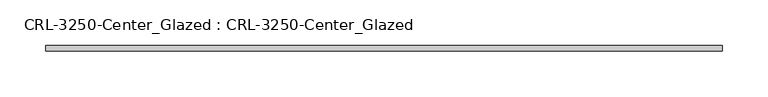
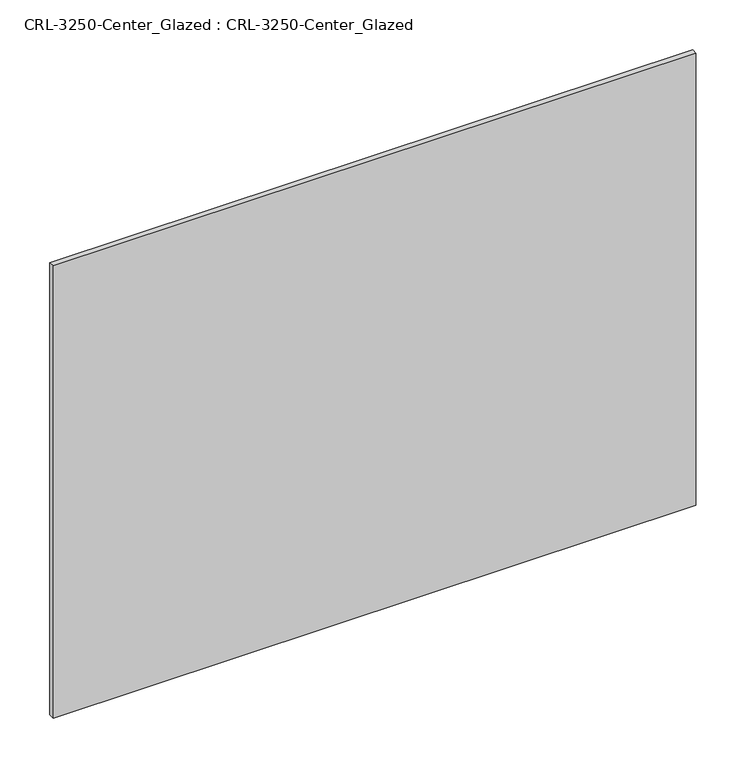
"""IFC4 building model written with IfcOpenShell, lengths in millimetres: plate geometry, CRL-3250-Center_Glazed : CRL-3250-Center_Glazed."""

from ifc_helpers import new_model, si_unit, origin, origin_with_axes, place, context, project, spatial, polyline, outline, extrude, source, transform, mapped, element, save


def crl_3250_center_glazed_crl_3250_center_glazed_8ae5b396(model_context):
    return source(origin(), model_context, "Body", "SweptSolid", [
        extrude(outline(polyline([(371.3833358, -3.1749999), (-371.3833358, -3.1749999), (-371.3833358, 3.1749999), (371.3833358, 3.1749999), (371.3833358, -3.1749999)])), origin_with_axes(), (0.0, 0.0, 1.0), 552.4500045),
    ])


if __name__ == "__main__":
    model = new_model("IFC4")
    model_context = context("Model", 3, world=origin())
    ifc_project = project(units=[si_unit("LENGTHUNIT", "METRE", prefix="MILLI")], contexts=[model_context])
    site = spatial("IfcSite", under=ifc_project)
    building = spatial("IfcBuilding", under=site)
    placement = place(None, origin())
    crl_3250_center_glazed_crl_3250_center_glazed_shape = crl_3250_center_glazed_crl_3250_center_glazed_8ae5b396(model_context)
    element("IfcPlate", 1, ObjectType="CRL-3250-Center_Glazed : CRL-3250-Center_Glazed", at=placement, inside=building, context=model_context, shape_type="MappedRepresentation", body=[
        mapped(crl_3250_center_glazed_crl_3250_center_glazed_shape, transform((0.0, 0.0, 0.0), x_axis=(1.0, 0.0, 0.0), y_axis=(0.0, 1.0, 0.0), z_axis=(0.0, 0.0, 1.0))),
    ])
    save(model, "model.ifc")
